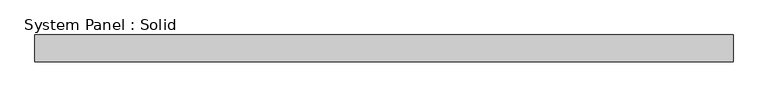
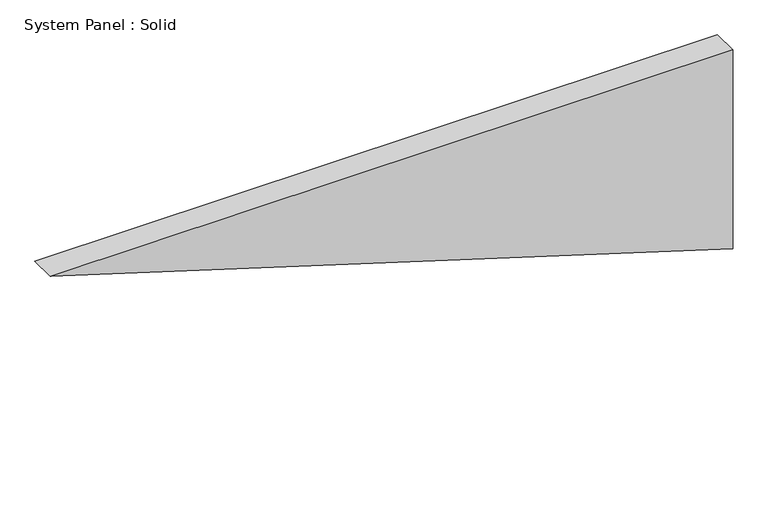
"""IFC4 building model written with IfcOpenShell, lengths in millimetres: plate geometry, System Panel : Solid."""

from ifc_helpers import new_model, si_unit, frame, origin, place, context, project, spatial, polyline, outline, extrude, source, transform, mapped, element, save


def system_panel_solid_9be19ae5(model_context):
    return source(origin(), model_context, "Body", "SweptSolid", [
        extrude(outline(polyline([(481.4810532, -782.0781985), (0.0, 782.0781985), (481.4810532, 782.0781985), (481.4810532, -782.0781985)])), frame((0.0, -10.5, 0.0), z_axis=(0.0, 1.0, 0.0), x_axis=(0.0, 0.0, 1.0)), (0.0, 0.0, 1.0), 60.0),
    ])


if __name__ == "__main__":
    model = new_model("IFC4")
    model_context = context("Model", 3, world=origin())
    ifc_project = project(units=[si_unit("LENGTHUNIT", "METRE", prefix="MILLI")], contexts=[model_context])
    site = spatial("IfcSite", under=ifc_project)
    building = spatial("IfcBuilding", under=site)
    placement = place(None, origin())
    system_panel_solid_shape = system_panel_solid_9be19ae5(model_context)
    element("IfcPlate", 1, ObjectType="System Panel : Solid", at=placement, inside=building, context=model_context, shape_type="MappedRepresentation", body=[
        mapped(system_panel_solid_shape, transform((0.0, 0.0, 0.0), x_axis=(1.0, 0.0, 0.0), y_axis=(0.0, 1.0, 0.0), z_axis=(0.0, 0.0, 1.0))),
    ])
    save(model, "model.ifc")
